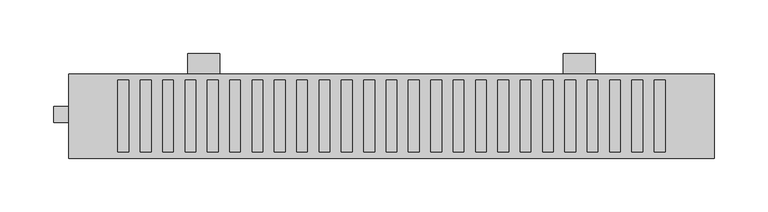
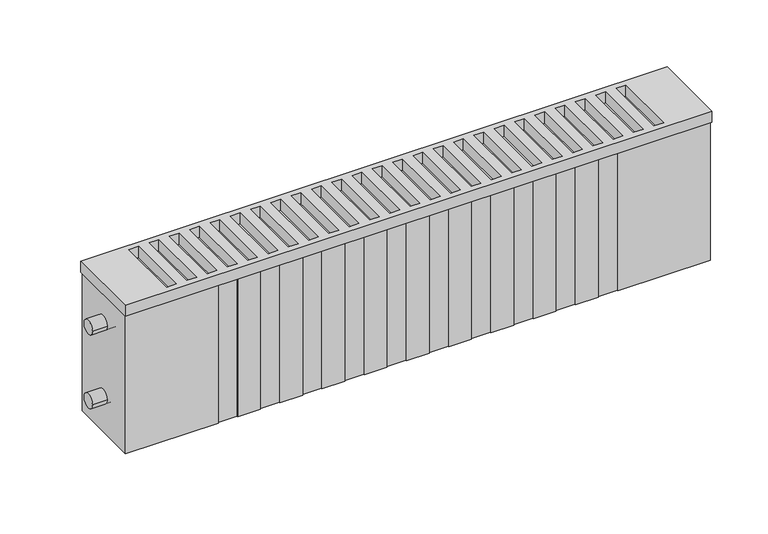
"""IFC4 building model written with IfcOpenShell, lengths in millimetres: proxy geometry."""

from ifc_helpers import new_model, si_unit, point, frame, frame_2d, origin, place, context, project, spatial, polyline, circle_curve, trimmed, segment, composite_curve, outline, extrude, source, transform, mapped, element, save


def mechanical_equipment_a298ab1a(model_context):
    return source(origin(), model_context, "Body", "SweptSolid", [
        extrude(outline(polyline([(0.0, 230.0), (0.0, 100.0), (0.0, 80.0), (-35.0, 80.0), (-50.0, 100.0), (-20.0, 100.0), (-20.0, 230.0), (0.0, 230.0)])), frame((460.0, 0.0, 0.0), z_axis=(1.0, 0.0, 0.0), x_axis=(0.0, 1.0, 0.0)), (0.0, 0.0, 1.0), 30.0),
        extrude(outline(polyline([(0.0, 230.0), (0.0, 100.0), (0.0, 80.0), (-35.0, 80.0), (-50.0, 100.0), (-20.0, 100.0), (-20.0, 230.0), (0.0, 230.0)])), frame((110.0, 0.0, 0.0), z_axis=(1.0, 0.0, 0.0), x_axis=(0.0, 1.0, 0.0)), (0.0, 0.0, 1.0), 30.0),
        extrude(outline(polyline([(601.0, -19.0), (601.0, -98.0), (-1.0, -98.0), (-1.0, -19.0), (601.0, -19.0)]), holes=[polyline([(545.0, -92.0), (555.0, -92.0), (555.0, -25.0), (545.0, -25.0), (545.0, -92.0)]), polyline([(65.8333333, -92.0), (75.8333333, -92.0), (75.8333333, -25.0), (65.8333333, -25.0), (65.8333333, -92.0)]), polyline([(86.6666667, -92.0), (96.6666667, -92.0), (96.6666667, -25.0), (86.6666667, -25.0), (86.6666667, -92.0)]), polyline([(107.5, -92.0), (117.5, -92.0), (117.5, -25.0), (107.5, -25.0), (107.5, -92.0)]), polyline([(128.3333333, -92.0), (138.3333333, -92.0), (138.3333333, -25.0), (128.3333333, -25.0), (128.3333333, -92.0)]), polyline([(149.1666667, -92.0), (159.1666667, -92.0), (159.1666667, -25.0), (149.1666667, -25.0), (149.1666667, -92.0)]), polyline([(170.0, -92.0), (180.0, -92.0), (180.0, -25.0), (170.0, -25.0), (170.0, -92.0)]), polyline([(190.8333333, -92.0), (200.8333333, -92.0), (200.8333333, -25.0), (190.8333333, -25.0), (190.8333333, -92.0)]), polyline([(211.6666667, -92.0), (221.6666667, -92.0), (221.6666667, -25.0), (211.6666667, -25.0), (211.6666667, -92.0)]), polyline([(232.5, -92.0), (242.5, -92.0), (242.5, -25.0), (232.5, -25.0), (232.5, -92.0)]), polyline([(253.3333333, -92.0), (263.3333333, -92.0), (263.3333333, -25.0), (253.3333333, -25.0), (253.3333333, -92.0)]), polyline([(274.1666667, -92.0), (284.1666667, -92.0), (284.1666667, -25.0), (274.1666667, -25.0), (274.1666667, -92.0)]), polyline([(295.0, -92.0), (305.0, -92.0), (305.0, -25.0), (295.0, -25.0), (295.0, -92.0)]), polyline([(315.8333333, -92.0), (325.8333333, -92.0), (325.8333333, -25.0), (315.8333333, -25.0), (315.8333333, -92.0)]), polyline([(336.6666667, -92.0), (346.6666667, -92.0), (346.6666667, -25.0), (336.6666667, -25.0), (336.6666667, -92.0)]), polyline([(357.5, -92.0), (367.5, -92.0), (367.5, -25.0), (357.5, -25.0), (357.5, -92.0)]), polyline([(378.3333333, -92.0), (388.3333333, -92.0), (388.3333333, -25.0), (378.3333333, -25.0), (378.3333333, -92.0)]), polyline([(399.1666667, -92.0), (409.1666667, -92.0), (409.1666667, -25.0), (399.1666667, -25.0), (399.1666667, -92.0)]), polyline([(420.0, -92.0), (430.0, -92.0), (430.0, -25.0), (420.0, -25.0), (420.0, -92.0)]), polyline([(440.8333333, -92.0), (450.8333333, -92.0), (450.8333333, -25.0), (440.8333333, -25.0), (440.8333333, -92.0)]), polyline([(461.6666667, -92.0), (471.6666667, -92.0), (471.6666667, -25.0), (461.6666667, -25.0), (461.6666667, -92.0)]), polyline([(482.5, -92.0), (492.5, -92.0), (492.5, -25.0), (482.5, -25.0), (482.5, -92.0)]), polyline([(503.3333333, -92.0), (513.3333333, -92.0), (513.3333333, -25.0), (503.3333333, -25.0), (503.3333333, -92.0)]), polyline([(524.1666667, -92.0), (534.1666667, -92.0), (534.1666667, -25.0), (524.1666667, -25.0), (524.1666667, -92.0)]), polyline([(45.0, -92.0), (55.0, -92.0), (55.0, -25.0), (45.0, -25.0), (45.0, -92.0)])]), frame((0.0, 0.0, 250.0), z_axis=(0.0, 0.0, 1.0), x_axis=(1.0, 0.0, 0.0)), (0.0, 0.0, 1.0), 12.0),
        extrude(outline(composite_curve([segment(trimmed(circle_curve(frame_2d((-57.0, 138.5)), 7.5), [point((-64.5, 138.5))], [point((-49.5, 138.5))], False, "CARTESIAN"), True, "CONTINUOUS"), segment(trimmed(circle_curve(frame_2d((-57.0, 138.5)), 7.5), [point((-49.5, 138.5))], [point((-64.5, 138.5))], False, "CARTESIAN"), True, "CONTINUOUS")], self_intersect=False)), frame((-15.0, 0.0, 0.0), z_axis=(1.0, 0.0, 0.0), x_axis=(0.0, 1.0, 0.0)), (0.0, 0.0, 1.0), 105.0),
        extrude(outline(composite_curve([segment(trimmed(circle_curve(frame_2d((-57.0, 218.5)), 7.5), [point((-64.5, 218.5))], [point((-49.5, 218.5))], False, "CARTESIAN"), True, "CONTINUOUS"), segment(trimmed(circle_curve(frame_2d((-57.0, 218.5)), 7.5), [point((-49.5, 218.5))], [point((-64.5, 218.5))], False, "CARTESIAN"), True, "CONTINUOUS")], self_intersect=False)), frame((-15.0, 0.0, 0.0), z_axis=(1.0, 0.0, 0.0), x_axis=(0.0, 1.0, 0.0)), (0.0, 0.0, 1.0), 105.0),
        extrude(outline(polyline([(600.0, -20.0), (600.0, -97.0), (505.0, -97.0), (505.0, -96.0), (485.0, -96.0), (485.0, -97.0), (461.6666667, -97.0), (461.6666667, -96.0), (441.6666667, -96.0), (441.6666667, -97.0), (418.3333333, -97.0), (418.3333333, -96.0), (398.3333333, -96.0), (398.3333333, -97.0), (375.0, -97.0), (375.0, -96.0), (355.0, -96.0), (355.0, -97.0), (331.6666667, -97.0), (331.6666667, -96.0), (311.6666667, -96.0), (311.6666667, -97.0), (288.3333333, -97.0), (288.3333333, -96.0), (268.3333333, -96.0), (268.3333333, -97.0), (245.0, -97.0), (245.0, -96.0), (225.0, -96.0), (225.0, -97.0), (201.6666667, -97.0), (201.6666667, -96.0), (181.6666667, -96.0), (181.6666667, -97.0), (158.3333333, -97.0), (158.3333333, -96.0), (138.3333333, -96.0), (138.3333333, -97.0), (115.0, -97.0), (115.0, -96.0), (95.0, -96.0), (95.0, -97.0), (0.0, -97.0), (0.0, -20.0), (600.0, -20.0)])), frame((0.0, 0.0, 100.0), z_axis=(0.0, 0.0, 1.0), x_axis=(1.0, 0.0, 0.0)), (0.0, 0.0, 1.0), 150.0),
    ])


if __name__ == "__main__":
    model = new_model("IFC4")
    model_context = context("Model", 3, world=origin())
    ifc_project = project(units=[si_unit("LENGTHUNIT", "METRE", prefix="MILLI")], contexts=[model_context])
    site = spatial("IfcSite", under=ifc_project)
    building = spatial("IfcBuilding", under=site)
    placement = place(None, origin())
    mechanical_equipment_shape = mechanical_equipment_a298ab1a(model_context)
    element("IfcBuildingElementProxy", 1, Name="Mechanical Equipment", at=placement, inside=building, context=model_context, shape_type="MappedRepresentation", body=[
        mapped(mechanical_equipment_shape, transform((0.0, 0.0, 0.0), x_axis=(1.0, 0.0, 0.0), y_axis=(0.0, 1.0, 0.0), z_axis=(0.0, 0.0, 1.0))),
    ])
    save(model, "model.ifc")
